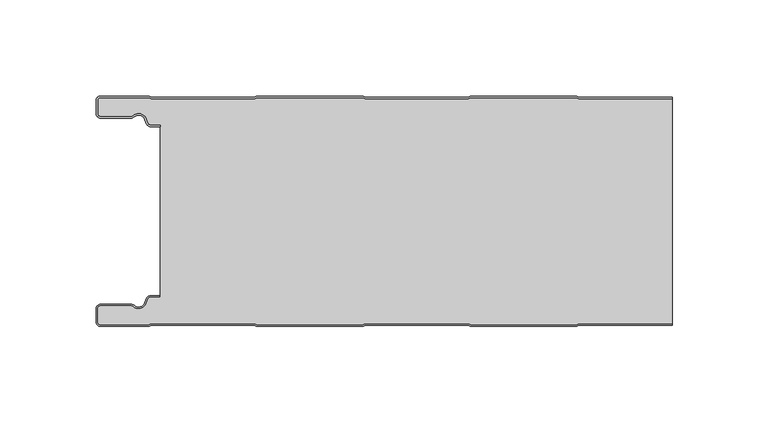
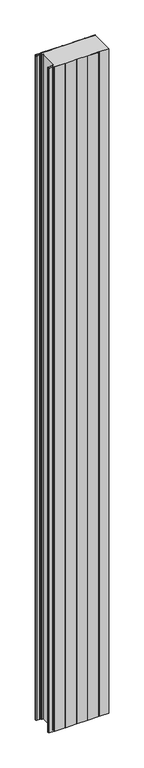
"""IFC4 building model written with IfcOpenShell, lengths in millimetres: plate geometry."""

from ifc_helpers import new_model, si_unit, point, frame_2d, origin, origin_with_axes, place, context, project, spatial, polyline, circle_curve, trimmed, segment, composite_curve, outline, extrude, source, transform, mapped, element, save


def plate_80f3f18a(model_context):
    return source(origin(), model_context, "Body", "SweptSolid", [
        extrude(outline(composite_curve([segment(trimmed(circle_curve(frame_2d((-147.49499, -9.0180361)), 2.50501), [point((-147.49499, -11.5230461))], [point((-150.0, -9.0180361))], False, "CARTESIAN"), True, "CONTINUOUS"), segment(polyline([(-150.0, -9.0180361), (-150.0, -2.50501)]), True, "CONTINUOUS"), segment(trimmed(circle_curve(frame_2d((-147.49499, -2.50501)), 2.50501), [point((-150.0, -2.50501))], [point((-147.49499, 0.0))], False, "CARTESIAN"), True, "CONTINUOUS"), segment(polyline([(-147.49499, 0.0), (-122.2103007, 0.0), (-121.028188, -0.6012024), (-67.6391467, -0.6012024), (-66.457034, 0.0), (-10.8776353, 0.0), (-9.6955227, -0.6012024), (43.6935186, -0.6012024), (44.8756313, 0.0), (100.45503, 0.0), (101.6371427, -0.6012024), (150.0, -0.6012024), (150.0, -1.4012024), (101.4453963, -1.4012024), (100.2632836, -0.8), (45.0673777, -0.8), (43.885265, -1.4012024), (-9.887269, -1.4012024), (-11.0693817, -0.8), (-66.2652876, -0.8), (-67.4474003, -1.4012024), (-121.2199344, -1.4012024), (-122.4020471, -0.8), (-147.49499, -0.8)]), True, "CONTINUOUS"), segment(trimmed(circle_curve(frame_2d((-147.49499, -2.50501)), 1.70501), [point((-147.49499, -0.8))], [point((-149.2, -2.50501))], True, "CARTESIAN"), True, "CONTINUOUS"), segment(polyline([(-149.2, -2.50501), (-149.2, -9.0180361)]), True, "CONTINUOUS"), segment(trimmed(circle_curve(frame_2d((-147.49499, -9.0180361)), 1.70501), [point((-149.2, -9.0180361))], [point((-147.49499, -10.7230461))], True, "CARTESIAN"), True, "CONTINUOUS"), segment(polyline([(-147.49499, -10.7230461), (-131.8173283, -10.7230461)]), True, "CONTINUOUS"), segment(trimmed(circle_curve(frame_2d((-131.8173283, -9.0180361)), 1.70501), [point((-131.8173283, -10.7230461))], [point((-130.6895701, -10.2967936))], True, "CARTESIAN"), True, "CONTINUOUS"), segment(trimmed(circle_curve(frame_2d((-127.8407481, -13.5270541)), 4.307014), [point((-130.6895701, -10.2967936))], [point((-123.7934788, -12.0539686))], False, "CARTESIAN"), True, "CONTINUOUS"), segment(polyline([(-123.7934788, -12.0539686), (-123.0450711, -14.1102019)]), True, "CONTINUOUS"), segment(trimmed(circle_curve(frame_2d((-121.4428858, -13.5270541)), 1.70501), [point((-123.0450711, -14.1102019))], [point((-121.4428858, -15.2320641))], True, "CARTESIAN"), True, "CONTINUOUS"), segment(polyline([(-121.4428858, -15.2320641), (-116.4328657, -15.2320641), (-116.4328657, -16.0320641), (-121.4428858, -16.0320641)]), True, "CONTINUOUS"), segment(trimmed(circle_curve(frame_2d((-121.4428858, -13.5270541)), 2.50501), [point((-121.4428858, -16.0320641))], [point((-123.7968252, -14.383818))], False, "CARTESIAN"), True, "CONTINUOUS"), segment(polyline([(-123.7968252, -14.383818), (-124.5452329, -12.3275847)]), True, "CONTINUOUS"), segment(trimmed(circle_curve(frame_2d((-127.8407481, -13.5270541)), 3.507014), [point((-124.5452329, -12.3275847))], [point((-130.1604199, -10.8967936))], True, "CARTESIAN"), True, "CONTINUOUS"), segment(trimmed(circle_curve(frame_2d((-131.8173283, -9.0180361)), 2.50501), [point((-130.1604199, -10.8967936))], [point((-131.8173283, -11.5230461))], False, "CARTESIAN"), True, "CONTINUOUS"), segment(polyline([(-131.8173283, -11.5230461), (-147.49499, -11.5230461)]), True, "CONTINUOUS")], self_intersect=False)), origin_with_axes(), (0.0, 0.0, 1.0), 3500.0),
        extrude(outline(composite_curve([segment(trimmed(circle_curve(frame_2d((-121.4428858, -13.5270541)), 1.70501), [point((-121.4428858, -15.2320641))], [point((-123.0450711, -14.1102019))], False, "CARTESIAN"), True, "CONTINUOUS"), segment(polyline([(-123.0450711, -14.1102019), (-123.7934788, -12.0539686)]), True, "CONTINUOUS"), segment(trimmed(circle_curve(frame_2d((-127.8407481, -13.5270541)), 4.307014), [point((-123.7934788, -12.0539686))], [point((-130.6895701, -10.2967936))], True, "CARTESIAN"), True, "CONTINUOUS"), segment(trimmed(circle_curve(frame_2d((-131.8173283, -9.0180361)), 1.70501), [point((-130.6895701, -10.2967936))], [point((-131.8173283, -10.7230461))], False, "CARTESIAN"), True, "CONTINUOUS"), segment(polyline([(-131.8173283, -10.7230461), (-147.49499, -10.7230461)]), True, "CONTINUOUS"), segment(trimmed(circle_curve(frame_2d((-147.49499, -9.0180361)), 1.70501), [point((-147.49499, -10.7230461))], [point((-149.2, -9.0180361))], False, "CARTESIAN"), True, "CONTINUOUS"), segment(polyline([(-149.2, -9.0180361), (-149.2, -2.50501)]), True, "CONTINUOUS"), segment(trimmed(circle_curve(frame_2d((-147.49499, -2.50501)), 1.70501), [point((-149.2, -2.50501))], [point((-147.49499, -0.8))], False, "CARTESIAN"), True, "CONTINUOUS"), segment(polyline([(-147.49499, -0.8), (-122.4020471, -0.8), (-121.2199344, -1.4012024), (-67.4474003, -1.4012024), (-66.2652876, -0.8), (-11.0693817, -0.8), (-9.887269, -1.4012024), (43.885265, -1.4012024), (45.0673777, -0.8), (100.2632836, -0.8), (101.4453963, -1.4012024), (150.0, -1.4012024), (150.0, -118.5987976), (101.4453963, -118.5987976), (100.2632836, -119.2), (45.0673777, -119.2), (43.885265, -118.5987976), (-9.887269, -118.5987976), (-11.0693817, -119.2), (-66.2652876, -119.2), (-67.4474003, -118.5987976), (-121.2199344, -118.5987976), (-122.4020471, -119.2), (-147.49499, -119.2)]), True, "CONTINUOUS"), segment(trimmed(circle_curve(frame_2d((-147.49499, -117.49499)), 1.70501), [point((-147.49499, -119.2))], [point((-149.2, -117.49499))], False, "CARTESIAN"), True, "CONTINUOUS"), segment(polyline([(-149.2, -117.49499), (-149.2, -110.9819639)]), True, "CONTINUOUS"), segment(trimmed(circle_curve(frame_2d((-147.49499, -110.9819639)), 1.70501), [point((-149.2, -110.9819639))], [point((-147.49499, -109.2769539))], False, "CARTESIAN"), True, "CONTINUOUS"), segment(polyline([(-147.49499, -109.2769539), (-131.8173283, -109.2769539)]), True, "CONTINUOUS"), segment(trimmed(circle_curve(frame_2d((-131.8173283, -110.9819639)), 1.70501), [point((-131.8173283, -109.2769539))], [point((-130.6895701, -109.7032064))], False, "CARTESIAN"), True, "CONTINUOUS"), segment(trimmed(circle_curve(frame_2d((-127.8407481, -106.4729459)), 4.307014), [point((-130.6895701, -109.7032064))], [point((-123.7934788, -107.9460314))], True, "CARTESIAN"), True, "CONTINUOUS"), segment(polyline([(-123.7934788, -107.9460314), (-123.0450711, -105.8897981)]), True, "CONTINUOUS"), segment(trimmed(circle_curve(frame_2d((-121.4428858, -106.4729459)), 1.70501), [point((-123.0450711, -105.8897981))], [point((-121.4428858, -104.7679359))], False, "CARTESIAN"), True, "CONTINUOUS"), segment(polyline([(-121.4428858, -104.7679359), (-116.4328657, -104.7679359), (-116.4328657, -15.2320641), (-121.4428858, -15.2320641)]), True, "CONTINUOUS")], self_intersect=False)), origin_with_axes(), (0.0, 0.0, 1.0), 3500.0),
        extrude(outline(composite_curve([segment(polyline([(-147.49499, -108.4769539), (-131.8173283, -108.4769539)]), True, "CONTINUOUS"), segment(trimmed(circle_curve(frame_2d((-131.8173283, -110.9819639)), 2.50501), [point((-131.8173283, -108.4769539))], [point((-130.1604199, -109.1032064))], False, "CARTESIAN"), True, "CONTINUOUS"), segment(trimmed(circle_curve(frame_2d((-127.8407481, -106.4729459)), 3.507014), [point((-130.1604199, -109.1032064))], [point((-124.5452329, -107.6724153))], True, "CARTESIAN"), True, "CONTINUOUS"), segment(polyline([(-124.5452329, -107.6724153), (-123.7968252, -105.616182)]), True, "CONTINUOUS"), segment(trimmed(circle_curve(frame_2d((-121.4428858, -106.4729459)), 2.50501), [point((-123.7968252, -105.616182))], [point((-121.4428858, -103.9679359))], False, "CARTESIAN"), True, "CONTINUOUS"), segment(polyline([(-121.4428858, -103.9679359), (-116.4328657, -103.9679359), (-116.4328657, -104.7679359), (-121.4428858, -104.7679359)]), True, "CONTINUOUS"), segment(trimmed(circle_curve(frame_2d((-121.4428858, -106.4729459)), 1.70501), [point((-121.4428858, -104.7679359))], [point((-123.0450711, -105.8897981))], True, "CARTESIAN"), True, "CONTINUOUS"), segment(polyline([(-123.0450711, -105.8897981), (-123.7934788, -107.9460314)]), True, "CONTINUOUS"), segment(trimmed(circle_curve(frame_2d((-127.8407481, -106.4729459)), 4.307014), [point((-123.7934788, -107.9460314))], [point((-130.6895701, -109.7032064))], False, "CARTESIAN"), True, "CONTINUOUS"), segment(trimmed(circle_curve(frame_2d((-131.8173283, -110.9819639)), 1.70501), [point((-130.6895701, -109.7032064))], [point((-131.8173283, -109.2769539))], True, "CARTESIAN"), True, "CONTINUOUS"), segment(polyline([(-131.8173283, -109.2769539), (-147.49499, -109.2769539)]), True, "CONTINUOUS"), segment(trimmed(circle_curve(frame_2d((-147.49499, -110.9819639)), 1.70501), [point((-147.49499, -109.2769539))], [point((-149.2, -110.9819639))], True, "CARTESIAN"), True, "CONTINUOUS"), segment(polyline([(-149.2, -110.9819639), (-149.2, -117.49499)]), True, "CONTINUOUS"), segment(trimmed(circle_curve(frame_2d((-147.49499, -117.49499)), 1.70501), [point((-149.2, -117.49499))], [point((-147.49499, -119.2))], True, "CARTESIAN"), True, "CONTINUOUS"), segment(polyline([(-147.49499, -119.2), (-122.4020471, -119.2), (-121.2199344, -118.5987976), (-67.4474003, -118.5987976), (-66.2652876, -119.2), (-11.0693817, -119.2), (-9.887269, -118.5987976), (43.885265, -118.5987976), (45.0673777, -119.2), (100.2632836, -119.2), (101.4453963, -118.5987976), (150.0, -118.5987976), (150.0, -119.3987976), (101.6371427, -119.3987976), (100.45503, -120.0), (44.8756313, -120.0), (43.6935186, -119.3987976), (-9.6955227, -119.3987976), (-10.8776353, -120.0), (-66.457034, -120.0), (-67.6391467, -119.3987976), (-121.028188, -119.3987976), (-122.2103007, -120.0), (-147.49499, -120.0)]), True, "CONTINUOUS"), segment(trimmed(circle_curve(frame_2d((-147.49499, -117.49499)), 2.50501), [point((-147.49499, -120.0))], [point((-150.0, -117.49499))], False, "CARTESIAN"), True, "CONTINUOUS"), segment(polyline([(-150.0, -117.49499), (-150.0, -110.9819639)]), True, "CONTINUOUS"), segment(trimmed(circle_curve(frame_2d((-147.49499, -110.9819639)), 2.50501), [point((-150.0, -110.9819639))], [point((-147.49499, -108.4769539))], False, "CARTESIAN"), True, "CONTINUOUS")], self_intersect=False)), origin_with_axes(), (0.0, 0.0, 1.0), 3500.0),
    ])


if __name__ == "__main__":
    model = new_model("IFC4")
    model_context = context("Model", 3, world=origin())
    ifc_project = project(units=[si_unit("LENGTHUNIT", "METRE", prefix="MILLI")], contexts=[model_context])
    site = spatial("IfcSite", under=ifc_project)
    building = spatial("IfcBuilding", under=site)
    placement = place(None, origin())
    plate_shape = plate_80f3f18a(model_context)
    element("IfcPlate", 1, at=placement, inside=building, context=model_context, shape_type="MappedRepresentation", body=[
        mapped(plate_shape, transform((0.0, 0.0, 0.0), x_axis=(1.0, 0.0, 0.0), y_axis=(0.0, 1.0, 0.0), z_axis=(0.0, 0.0, 1.0))),
    ])
    save(model, "model.ifc")
